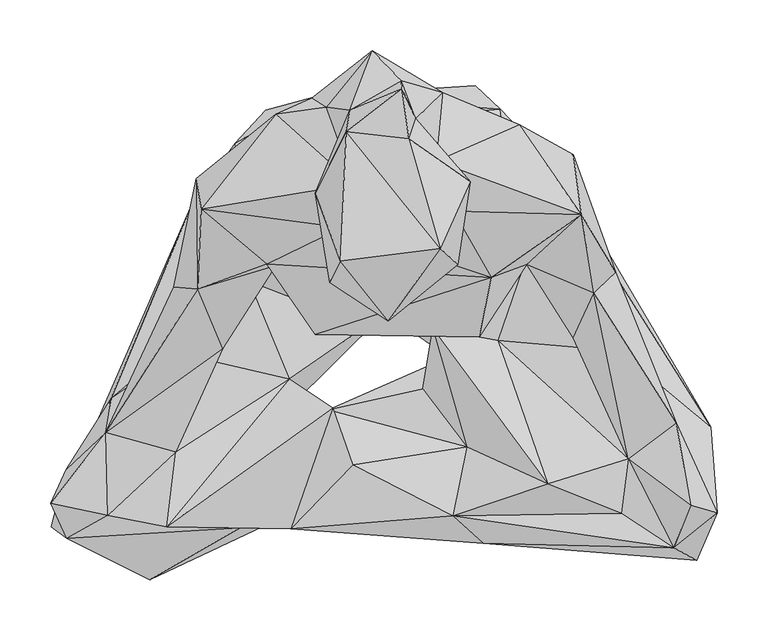
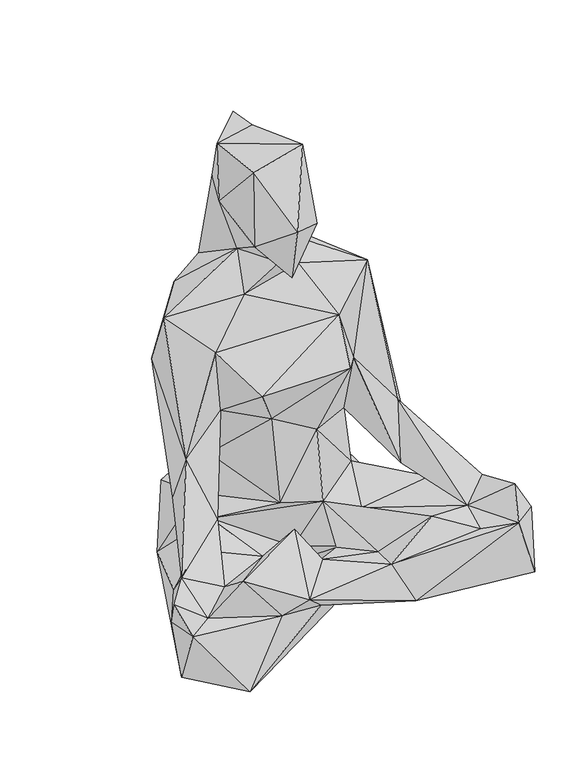
"""IFC4 building model written with IfcOpenShell, lengths in millimetres: geographic element geometry."""

import ifcopenshell
import ifcopenshell.guid

model = None  # the IFC model being written
_history = None  # IfcOwnerHistory: only IFC2X3 demands one
_inside = {}  # id of a spatial element -> (the spatial element, [elements in it])
_under = {}  # id of a project, library or spatial element -> (it, [spatial elements below it])
_declared = {}  # id of a project -> (the project, [libraries it declares])
_typed = {}  # id of a type object -> (the type object, [elements of that type])
_made_of = {}  # id of a material, layer set ... -> (it, [elements and type objects made of it])


def new_model(schema):
    """Start an empty IFC model of exactly this schema.

    Asked for "IFC4X3", IfcOpenShell would pick the latest addendum, in which some entities
    have other attributes; the version numbers below select the first issue.
    IFC2X3 requires an IfcOwnerHistory on every rooted entity: one is made here for all.
    """
    global model, _history
    if schema == "IFC4X3":
        model = ifcopenshell.file(schema_version=(4, 3, 0, 0))
    else:
        model = ifcopenshell.file(schema=schema)
    _inside.clear()
    _under.clear()
    _declared.clear()
    _typed.clear()
    _made_of.clear()
    _history = None
    if model.schema == "IFC2X3":
        org = make("IfcOrganization", Name="unknown")
        user = make(
            "IfcPersonAndOrganization",
            ThePerson=make("IfcPerson", FamilyName="unknown"),
            TheOrganization=org,
        )
        app = make(
            "IfcApplication",
            ApplicationDeveloper=org,
            Version="unknown",
            ApplicationFullName="unknown",
            ApplicationIdentifier="unknown",
        )
        _history = make(
            "IfcOwnerHistory",
            OwningUser=user,
            OwningApplication=app,
            ChangeAction="ADDED",
            CreationDate=0,
        )
    return model


def make(cls, **values):
    """One entity of the class cls with the attributes given. An attribute that is None is left unset."""
    return model.create_entity(
        cls, **{name: value for name, value in values.items() if value is not None}
    )


def rooted(cls, **values):
    """An entity with a GlobalId (a new one), such as an element, a storey or a relation."""
    return make(cls, GlobalId=ifcopenshell.guid.new(), OwnerHistory=_history, **values)


def si_unit(unit_type, name, prefix=None):
    """IfcSIUnit, for example si_unit("LENGTHUNIT", "METRE", prefix="MILLI")."""
    return make("IfcSIUnit", UnitType=unit_type, Prefix=prefix, Name=name)


def assignment(units):
    """IfcUnitAssignment: the units of a project."""
    return None if units is None else make("IfcUnitAssignment", Units=units)


def point(xyz):
    """IfcCartesianPoint."""
    return None if xyz is None else make("IfcCartesianPoint", Coordinates=xyz)


def direction(xyz):
    """IfcDirection."""
    return None if xyz is None else make("IfcDirection", DirectionRatios=xyz)


def frame(location, z_axis=None, x_axis=None):
    """IfcAxis2Placement3D, a coordinate frame: its origin and axes. An axis left out is left unset."""
    return make(
        "IfcAxis2Placement3D",
        Location=point(location),
        Axis=direction(z_axis),
        RefDirection=direction(x_axis),
    )


def origin():
    """The frame at (0, 0, 0) with its axes left unset."""
    return frame((0.0, 0.0, 0.0))


def place(relative_to, where):
    """IfcLocalPlacement: puts the frame where relative to a parent placement (None: the world)."""
    return make(
        "IfcLocalPlacement", PlacementRelTo=relative_to, RelativePlacement=where
    )


def context(
    kind, dimensions, precision=None, world=None, true_north=None, identifier=None
):
    """IfcGeometricRepresentationContext, for example the 3D "Model" context."""
    return make(
        "IfcGeometricRepresentationContext",
        ContextIdentifier=identifier,
        ContextType=kind,
        CoordinateSpaceDimension=dimensions,
        Precision=precision,
        WorldCoordinateSystem=world,
        TrueNorth=true_north,
    )


def project(units=None, contexts=None):
    """IfcProject with its units and contexts."""
    return rooted(
        "IfcProject",
        Name="project",
        RepresentationContexts=contexts,
        UnitsInContext=assignment(units),
    )


def spatial(cls, under=None, at=None, **own):
    """A site, building, storey or space (cls), placed at a placement, below another one or the project."""
    s = rooted(cls, ObjectPlacement=at, **own)
    if under is not None:
        _under.setdefault(under.id(), (under, []))[1].append(s)
    return s


def faces_of(points, faces, orient=None, outer=None):
    """IfcFace entities. A face is a list of loops; a loop is a list of indices into points, from 0.

    orient and outer hold one flag for each loop. By default every Orientation is true, the
    first loop of a face is its IfcFaceOuterBound and the others are IfcFaceBound.
    """
    made = []
    for i, loops in enumerate(faces):
        bounds = []
        for j, loop in enumerate(loops):
            is_outer = j == 0 if outer is None else outer[i][j]
            bounds.append(
                make(
                    "IfcFaceOuterBound" if is_outer else "IfcFaceBound",
                    Bound=make("IfcPolyLoop", Polygon=[points[k] for k in loop]),
                    Orientation=True if orient is None else orient[i][j],
                )
            )
        made.append(make("IfcFace", Bounds=bounds))
    return made


def faceted_brep(points, faces, orient=None, outer=None, voids=None):
    """IfcFacetedBrep: a solid bounded by flat faces; with voids (closed shells), ...WithVoids."""
    shared = [point(p) for p in points]
    hull = make("IfcClosedShell", CfsFaces=faces_of(shared, faces, orient, outer))
    if voids is None:
        return make("IfcFacetedBrep", Outer=hull)
    return make(
        "IfcFacetedBrepWithVoids",
        Outer=hull,
        Voids=[
            make(cls, CfsFaces=faces_of(shared, fs, o, b)) for cls, fs, o, b in voids
        ],
    )


def shape(context_of_items, identifier, shape_type, items):
    """IfcShapeRepresentation: the items that make up one representation, for example the "Body"."""
    return make(
        "IfcShapeRepresentation",
        ContextOfItems=context_of_items,
        RepresentationIdentifier=identifier,
        RepresentationType=shape_type,
        Items=items,
    )


def source(mapping_origin, context_of_items, identifier, shape_type, items):
    """IfcRepresentationMap: a shape defined once, which mapped items show again and again."""
    return make(
        "IfcRepresentationMap",
        MappingOrigin=mapping_origin,
        MappedRepresentation=shape(context_of_items, identifier, shape_type, items),
    )


def transform(
    local_origin,
    x_axis=None,
    y_axis=None,
    z_axis=None,
    scale=None,
    scale2=None,
    scale3=None,
    uniform=True,
):
    """IfcCartesianTransformationOperator3D, or its non-uniform kind. x_axis, y_axis, z_axis: its Axis1, 2, 3."""
    if uniform:
        return make(
            "IfcCartesianTransformationOperator3D",
            Axis1=direction(x_axis),
            Axis2=direction(y_axis),
            LocalOrigin=point(local_origin),
            Scale=scale,
            Axis3=direction(z_axis),
        )
    return make(
        "IfcCartesianTransformationOperator3DnonUniform",
        Axis1=direction(x_axis),
        Axis2=direction(y_axis),
        LocalOrigin=point(local_origin),
        Scale=scale,
        Axis3=direction(z_axis),
        Scale2=scale2,
        Scale3=scale3,
    )


def mapped(mapping_source, mapping_target):
    """IfcMappedItem: shows the shape of a source again, moved by a transform."""
    return make(
        "IfcMappedItem", MappingSource=mapping_source, MappingTarget=mapping_target
    )


def made_of(thing, what):
    """Note that an element or type object is made of a material, layer set ...; save() writes the relation."""
    if what is not None:
        _made_of.setdefault(what.id(), (what, []))[1].append(thing)
    return thing


def element(
    cls,
    number,
    at=None,
    inside=None,
    cuts=None,
    type_object=None,
    material=None,
    context=None,
    identifier="Body",
    shape_type=None,
    held_by="IfcProductDefinitionShape",
    body=None,
    shapes=None,
    **own,
):
    """One element of the class cls, such as IfcWall. Its Tag is "e" and its number.

    at: its placement. inside: the storey or other place that contains it. cuts: it is an
    opening in that element (IfcRelVoidsElement). A single representation is given by context,
    identifier, shape_type and body (its items); several are given by shapes. held_by: the class
    of the entity that holds the representations. save() writes the other relations.
    """
    e = rooted(cls, Tag="e%d" % number, ObjectPlacement=at, **own)
    if body is not None:
        shapes = [shape(context, identifier, shape_type, body)]
    if shapes is not None:
        e.Representation = make(held_by, Representations=shapes)
    if inside is not None:
        _inside.setdefault(inside.id(), (inside, []))[1].append(e)
    if cuts is not None:
        rooted(
            "IfcRelVoidsElement", RelatingBuildingElement=cuts, RelatedOpeningElement=e
        )
    if type_object is not None:
        _typed.setdefault(type_object.id(), (type_object, []))[1].append(e)
    return made_of(e, material)


def aggregate(whole, parts):
    """IfcRelAggregates: a whole, such as a stair, and the parts it consists of."""
    return rooted("IfcRelAggregates", RelatingObject=whole, RelatedObjects=parts)


def save(model, path):
    """Write the relations noted so far, then the file.

    IfcRelAggregates (storeys below a building ...), IfcRelContainedInSpatialStructure (elements
    in a storey), IfcRelDefinesByType, IfcRelAssociatesMaterial and IfcRelDeclares: one each for
    every whole, place, type object, material and project.
    """
    for whole, parts in _under.values():
        aggregate(whole, parts)
    for where, things in _inside.values():
        rooted(
            "IfcRelContainedInSpatialStructure",
            RelatedElements=things,
            RelatingStructure=where,
        )
    for kind, things in _typed.values():
        rooted("IfcRelDefinesByType", RelatedObjects=things, RelatingType=kind)
    for what, things in _made_of.values():
        rooted("IfcRelAssociatesMaterial", RelatedObjects=things, RelatingMaterial=what)
    for by, libraries in _declared.values():
        rooted("IfcRelDeclares", RelatingContext=by, RelatedDefinitions=libraries)
    model.write(path)


def geographic_element_4a9846c8(model_context):
    return source(origin(), model_context, "Body", "Brep", [
        faceted_brep([(-112.8240735, 218.200666, 57.6902919), (-158.220468, 117.9597736, 20.7468027), (-185.0426919, 125.9388908, 78.998438), (-26.4524293, 227.3399802, 38.4179759), (-323.753949, -192.1938634, 74.8876995), (-259.8310975, -111.7107854, 27.2436157), (-36.1179034, 109.8821448, -2.6761242), (-202.4675881, -140.9714652, 8.8695966), (-142.6711065, 185.8080752, 168.6497608), (-60.1506412, 232.4451924, 163.6188308), (-134.4832463, 88.220625, 199.019817), (-24.8833426, 9.6498391, 189.0854067), (-129.4186993, 50.0254625, 171.0639873), (-72.3264953, 197.2545212, 286.6235936), (-112.5457571, 85.5577876, 270.3323331), (51.6187803, 3.2452794, 169.0938303), (50.3397466, 20.3105544, 299.4780503), (-35.1554971, 18.3943471, 351.4127092), (144.2253423, 74.1238659, 172.593204), (139.780773, 89.8233268, 268.4591081), (97.480348, -5.1669599, 418.2626553), (144.5067954, 66.2541977, 380.0854636), (-63.962727, -3.0959542, 417.7458831), (-102.8544816, 64.9501524, 363.9395788), (109.5193834, 53.2332131, 483.6576521), (-111.5911738, 66.4754576, 478.3593059), (-179.7991075, 41.9298517, 308.8315985), (-154.9470406, -16.593063, 218.8253376), (-176.3552555, 120.6319839, 536.5335875), (-37.6721355, 102.4549814, 545.3703336), (-180.9733786, 150.6682169, 440.6441992), (-102.9357823, 214.2869357, 525.7289941), (-25.9247084, 145.4746705, 604.6571061), (17.0449482, 85.2724303, 599.2587135), (72.0708436, 118.8729242, 558.2615664), (-49.8542444, 48.1913419, 674.9735391), (10.1736494, 32.0517268, 603.6438271), (76.3614019, 65.922714, 665.7490052), (198.0066126, 115.3516532, 522.0865543), (55.2221306, 167.74833, 599.4064734), (61.5422532, 235.365224, 498.936498), (34.8161939, 209.8548833, 656.4306536), (136.7371959, 203.9577042, 538.7132697), (20.8265462, 247.0493286, 619.5332927), (28.0895286, 189.8859716, 800.258865), (21.3237756, 239.3430591, 799.4809052), (88.4387482, 147.7653664, 747.3672536), (-29.8697051, 218.1052837, 704.5187863), (-7.6429415, 276.6665186, 478.9042414), (-33.6161214, 196.7236524, 781.8152212), (58.9161694, 81.8903362, 817.3240918), (-39.2701472, 69.6011177, 803.1749626), (8.1542431, 10.1595771, 706.3662322), (-64.0291862, 136.4018155, 716.8298871), (-53.1620675, 220.9307375, 559.6953561), (-67.564509, 230.1560463, 458.1011477), (-124.0617692, 161.0826532, 391.6608941), (-203.4448658, 43.7154988, 242.4820036), (-270.223644, -99.5865303, 194.5838457), (-199.773488, -21.1369244, 176.3638534), (-201.5739952, -118.6602623, 164.1066799), (-89.6966744, -46.787999, 140.753342), (-265.1067045, -66.0337351, 148.5237163), (-268.1323257, -181.0289003, 163.996456), (-210.0800399, -192.519111, 222.587389), (-138.0115432, -193.5581243, 130.880682), (-308.7057433, -203.5488312, 155.016629), (-324.4223853, -169.166533, 202.5684391), (-46.5159336, -75.0979995, 195.529831), (-88.1268073, -194.2117041, 144.9180227), (-226.9694032, -244.6796864, 44.4535235), (-46.0218297, -159.6402208, 98.5389042), (101.3205784, -208.5899089, 85.3318487), (-26.9801483, -131.4686074, 164.5702997), (71.2085134, -181.5808542, 150.4383665), (-51.3709479, -77.1033382, 96.6688308), (85.3349779, -113.529271, 129.2529686), (164.7665331, -150.1905304, 193.092165), (289.2762685, -213.089225, 174.7541108), (237.5363082, -179.1212835, 160.7949565), (42.0385259, -56.6004545, 118.8611895), (244.2911088, -125.5370363, 171.5838739), (115.5033246, -8.870378, 141.6477245), (235.2784545, -19.2730983, 167.6295081), (291.7272412, -89.8131643, 193.7324679), (210.4686175, 37.9215325, 291.7163038), (305.5714629, -171.2156513, 219.892514), (189.9532056, -6.2779076, 201.516134), (193.8294148, 114.9826483, 116.672127), (160.50647, 174.2592283, 160.1437012), (197.6485377, 123.4574303, 54.308194), (325.4442175, -93.8941974, 111.2346635), (93.7597218, 242.3882007, 57.49797), (118.1990043, 219.1365036, 167.3738489), (127.7002974, 138.4290291, 319.8824485), (217.5963196, 12.7895743, 22.8553356), (97.5381943, 189.2527169, 7.539743), (331.8768997, -178.4239091, 169.7826066), (311.6179666, -225.3143313, 78.9202516), (134.5020218, 7.3810368, 0.1766883), (158.6058865, -132.1003123, 32.287832), (7.4271629, 62.4006793, 23.5394162), (53.2777787, -95.6196401, 68.0101356), (67.3135511, -25.1624469, 92.3243303), (-90.1071195, -75.4607534, 54.463777), (4.4422252, 18.37402, 88.0220447), (-309.0122006, -135.6755031, 142.7969766), (231.7884685, 58.1656352, 243.030858), (190.0915927, 174.4976767, 438.5223632), (42.6882053, 217.3805508, 345.8571987), (69.9068076, 214.7317949, 268.3660951)], [[[0, 1, 2]], [[1, 0, 3]], [[4, 1, 5]], [[4, 2, 1]], [[6, 1, 3]], [[7, 5, 1]], [[7, 1, 6]], [[8, 0, 2]], [[9, 3, 0]], [[8, 9, 0]], [[10, 9, 8]], [[8, 2, 10]], [[11, 10, 12]], [[13, 9, 10]], [[11, 14, 10]], [[10, 14, 13]], [[10, 2, 12]], [[11, 12, 15]], [[16, 11, 15]], [[11, 17, 14]], [[16, 17, 11]], [[16, 18, 19]], [[20, 16, 21]], [[21, 16, 19]], [[16, 15, 18]], [[16, 20, 17]], [[22, 23, 17]], [[22, 17, 20]], [[17, 23, 14]], [[20, 24, 22]], [[24, 20, 21]], [[24, 25, 22]], [[22, 25, 23]], [[23, 26, 27]], [[25, 26, 23]], [[14, 23, 27]], [[25, 28, 26]], [[25, 29, 28]], [[25, 24, 29]], [[28, 30, 26]], [[31, 30, 28]], [[32, 31, 28]], [[28, 29, 32]], [[29, 33, 32]], [[34, 33, 29]], [[34, 29, 24]], [[35, 33, 36]], [[36, 33, 37]], [[35, 32, 33]], [[37, 33, 34]], [[38, 39, 34]], [[37, 34, 39]], [[34, 24, 38]], [[39, 40, 41]], [[41, 37, 39]], [[40, 39, 42]], [[39, 38, 42]], [[41, 40, 43]], [[44, 41, 45]], [[45, 41, 43]], [[44, 46, 41]], [[41, 46, 37]], [[47, 43, 48]], [[45, 43, 47]], [[48, 43, 40]], [[45, 47, 49]], [[44, 45, 49]], [[50, 44, 49]], [[50, 46, 44]], [[46, 50, 37]], [[51, 52, 50]], [[50, 52, 37]], [[51, 50, 49]], [[53, 49, 47]], [[53, 51, 49]], [[35, 51, 53]], [[51, 35, 52]], [[35, 36, 52]], [[37, 52, 36]], [[32, 35, 53]], [[47, 32, 53]], [[32, 47, 54]], [[31, 32, 54]], [[54, 55, 31]], [[54, 48, 55]], [[54, 47, 48]], [[30, 31, 56]], [[56, 31, 55]], [[30, 56, 57]], [[55, 13, 56]], [[14, 57, 56]], [[56, 13, 14]], [[30, 57, 26]], [[14, 27, 57]], [[26, 57, 58]], [[58, 57, 59]], [[57, 27, 59]], [[27, 26, 58]], [[58, 60, 27]], [[27, 60, 59]], [[59, 61, 12]], [[58, 59, 62]], [[62, 59, 12]], [[61, 59, 60]], [[63, 60, 58]], [[64, 61, 60]], [[63, 64, 60]], [[65, 63, 66]], [[67, 66, 63]], [[67, 63, 58]], [[65, 64, 63]], [[64, 68, 61]], [[68, 64, 69]], [[64, 65, 69]], [[66, 70, 65]], [[71, 65, 70]], [[71, 69, 65]], [[72, 69, 71]], [[69, 73, 68]], [[69, 72, 74]], [[73, 69, 74]], [[68, 73, 75]], [[61, 68, 75]], [[76, 75, 73]], [[73, 74, 76]], [[77, 76, 74]], [[74, 72, 78]], [[79, 77, 74]], [[78, 79, 74]], [[75, 76, 80]], [[76, 15, 80]], [[76, 77, 15]], [[79, 81, 77]], [[77, 82, 15]], [[77, 81, 82]], [[78, 81, 79]], [[82, 81, 83]], [[81, 84, 85]], [[86, 81, 78]], [[81, 87, 83]], [[85, 87, 81]], [[86, 84, 81]], [[15, 82, 18]], [[83, 18, 82]], [[83, 88, 18]], [[19, 18, 89]], [[89, 18, 88]], [[89, 88, 90]], [[91, 90, 88]], [[83, 91, 88]], [[89, 92, 93]], [[89, 90, 92]], [[93, 94, 89]], [[94, 19, 89]], [[90, 91, 95]], [[92, 90, 96]], [[90, 95, 96]], [[97, 91, 83]], [[95, 91, 98]], [[97, 98, 91]], [[95, 99, 96]], [[95, 100, 99]], [[95, 98, 100]], [[99, 6, 96]], [[6, 3, 96]], [[3, 92, 96]], [[99, 101, 6]], [[99, 100, 101]], [[102, 103, 100]], [[72, 102, 100]], [[98, 72, 100]], [[103, 101, 100]], [[104, 7, 101]], [[7, 6, 101]], [[103, 105, 101]], [[105, 104, 101]], [[5, 7, 4]], [[70, 4, 7]], [[7, 104, 102]], [[102, 70, 7]], [[75, 102, 104]], [[61, 75, 104]], [[105, 61, 104]], [[15, 12, 105]], [[12, 61, 105]], [[15, 105, 103]], [[12, 2, 62]], [[4, 62, 2]], [[106, 62, 4]], [[106, 58, 62]], [[66, 106, 4]], [[58, 106, 67]], [[67, 106, 66]], [[66, 4, 70]], [[71, 70, 102]], [[72, 71, 102]], [[102, 75, 103]], [[78, 72, 98]], [[78, 98, 97]], [[86, 78, 97]], [[84, 97, 83]], [[86, 97, 84]], [[107, 84, 83]], [[107, 83, 87]], [[107, 85, 84]], [[108, 38, 107]], [[38, 85, 107]], [[87, 19, 107]], [[107, 19, 108]], [[21, 19, 87]], [[85, 21, 87]], [[21, 85, 38]], [[38, 24, 21]], [[42, 38, 108]], [[42, 108, 40]], [[40, 55, 48]], [[40, 109, 55]], [[108, 109, 40]], [[55, 109, 13]], [[108, 110, 109]], [[13, 109, 9]], [[109, 110, 9]], [[94, 93, 110]], [[9, 110, 93]], [[108, 94, 110]], [[9, 92, 3]], [[9, 93, 92]], [[94, 108, 19]], [[75, 80, 103]], [[15, 103, 80]]]),
    ])


if __name__ == "__main__":
    model = new_model("IFC4")
    model_context = context("Model", 3, world=origin())
    ifc_project = project(units=[si_unit("LENGTHUNIT", "METRE", prefix="MILLI")], contexts=[model_context])
    site = spatial("IfcSite", under=ifc_project)
    building = spatial("IfcBuilding", under=site)
    placement = place(None, origin())
    geographic_element_shape = geographic_element_4a9846c8(model_context)
    element("IfcGeographicElement", 1, at=placement, inside=building, context=model_context, shape_type="MappedRepresentation", body=[
        mapped(geographic_element_shape, transform((0.0, 0.0, 0.0), x_axis=(1.0, 0.0, 0.0), y_axis=(0.0, 1.0, 0.0), z_axis=(0.0, 0.0, 1.0))),
    ])
    save(model, "model.ifc")
